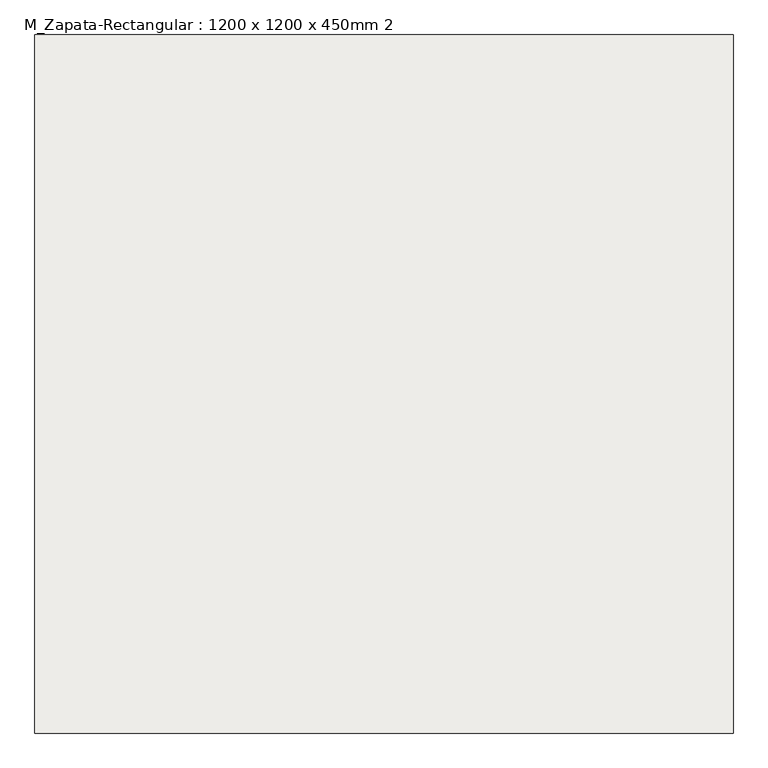
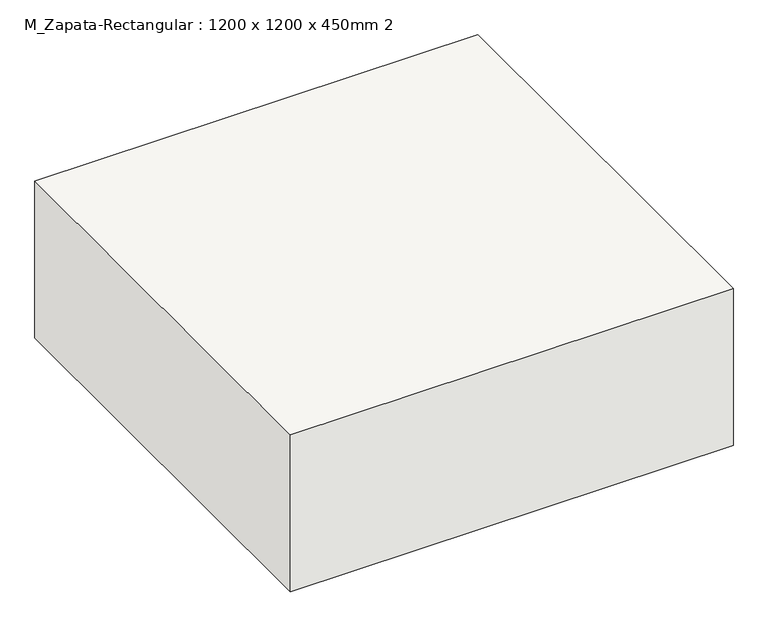
"""IFC4 building model written with IfcOpenShell, lengths in millimetres: slab geometry, M_Zapata-Rectangular : 1200 x 1200 x 450mm 2."""

from ifc_helpers import new_model, si_unit, frame, origin, place, context, project, spatial, polyline, outline, extrude, source, transform, mapped, element, save


def m_zapata_rectangular_1200_x_1200_x_450mm_2_1789818b(model_context):
    return source(origin(), model_context, "Body", "SweptSolid", [
        extrude(outline(polyline([(600.0, 600.0), (600.0, -600.0), (-600.0, -600.0), (-600.0, 600.0), (600.0, 600.0)])), frame((0.0, 0.0, -450.0), z_axis=(0.0, 0.0, 1.0), x_axis=(1.0, 0.0, 0.0)), (0.0, 0.0, 1.0), 450.0),
    ])


if __name__ == "__main__":
    model = new_model("IFC4")
    model_context = context("Model", 3, world=origin())
    ifc_project = project(units=[si_unit("LENGTHUNIT", "METRE", prefix="MILLI")], contexts=[model_context])
    site = spatial("IfcSite", under=ifc_project)
    building = spatial("IfcBuilding", under=site)
    placement = place(None, origin())
    m_zapata_rectangular_1200_x_1200_x_450mm_2_shape = m_zapata_rectangular_1200_x_1200_x_450mm_2_1789818b(model_context)
    element("IfcSlab", 1, ObjectType="M_Zapata-Rectangular : 1200 x 1200 x 450mm 2", at=placement, inside=building, context=model_context, shape_type="MappedRepresentation", body=[
        mapped(m_zapata_rectangular_1200_x_1200_x_450mm_2_shape, transform((0.0, 0.0, 0.0), x_axis=(1.0, 0.0, 0.0), y_axis=(0.0, 1.0, 0.0), z_axis=(0.0, 0.0, 1.0))),
    ])
    save(model, "model.ifc")
